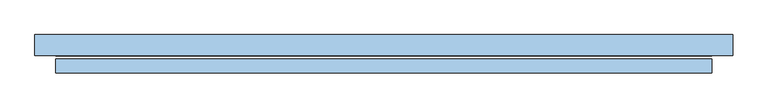
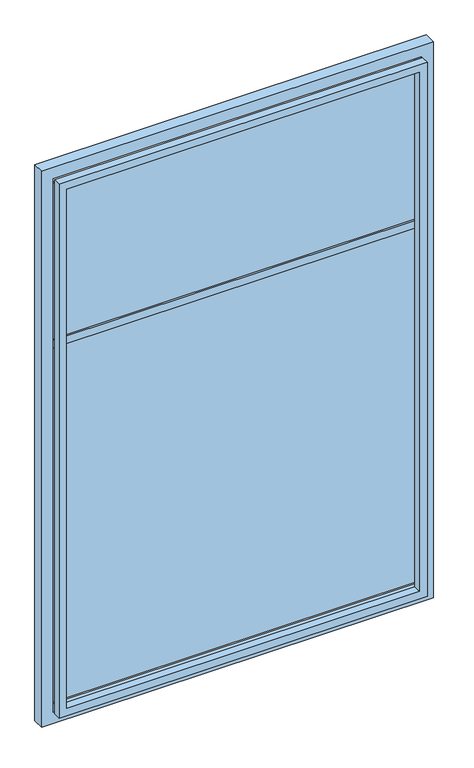
"""IFC4 building model written with IfcOpenShell, lengths in millimetres: window geometry."""

from ifc_helpers import new_model, si_unit, frame, origin, place, context, project, spatial, polyline, outline, extrude, source, transform, mapped, element, save


def window_18a430c1(model_context):
    return source(origin(), model_context, "Body", "SweptSolid", [
        extrude(outline(polyline([(830.0, -470.0), (830.0, 470.0), (2270.0, 470.0), (2270.0, -470.0), (830.0, -470.0)]), holes=[polyline([(2250.0, -450.0), (2250.0, 450.0), (850.0, 450.0), (850.0, -450.0), (2250.0, -450.0)])]), frame((0.0, -25.0, 0.0), z_axis=(0.0, 1.0, 0.0), x_axis=(0.0, 0.0, 1.0)), (0.0, 0.0, 1.0), 20.0),
        extrude(outline(polyline([(-470.0, 10.0), (-470.0, 15.0), (470.0, 15.0), (470.0, 10.0), (-470.0, 10.0)])), frame((0.0, 0.0, 850.0), z_axis=(0.0, 0.0, 1.0), x_axis=(1.0, 0.0, 0.0)), (0.0, 0.0, 1.0), 960.0),
        extrude(outline(polyline([(800.0, -500.0), (800.0, 500.0), (2300.0, 500.0), (2300.0, -500.0), (800.0, -500.0)]), holes=[polyline([(2270.0, -470.0), (2270.0, 470.0), (830.0, 470.0), (830.0, -470.0), (2270.0, -470.0)])]), frame((0.0, 0.0, 0.0), z_axis=(0.0, 1.0, 0.0), x_axis=(0.0, 0.0, 1.0)), (0.0, 0.0, 1.0), 30.0),
        extrude(outline(polyline([(-470.0, 10.0), (-470.0, 15.0), (470.0, 15.0), (470.0, 10.0), (-470.0, 10.0)])), frame((0.0, 0.0, 1820.0), z_axis=(0.0, 0.0, 1.0), x_axis=(1.0, 0.0, 0.0)), (0.0, 0.0, 1.0), 430.0),
        extrude(outline(polyline([(-470.0, 5.0), (-470.0, 25.0), (470.0, 25.0), (470.0, 5.0), (-470.0, 5.0)])), frame((0.0, 0.0, 1810.0), z_axis=(0.0, 0.0, 1.0), x_axis=(1.0, 0.0, 0.0)), (0.0, 0.0, 1.0), 20.0),
    ])


if __name__ == "__main__":
    model = new_model("IFC4")
    model_context = context("Model", 3, world=origin())
    ifc_project = project(units=[si_unit("LENGTHUNIT", "METRE", prefix="MILLI")], contexts=[model_context])
    site = spatial("IfcSite", under=ifc_project)
    building = spatial("IfcBuilding", under=site)
    placement = place(None, origin())
    window_shape = window_18a430c1(model_context)
    element("IfcWindow", 1, at=placement, inside=building, context=model_context, shape_type="MappedRepresentation", body=[
        mapped(window_shape, transform((0.0, 0.0, 0.0), x_axis=(1.0, 0.0, 0.0), y_axis=(0.0, 1.0, 0.0), z_axis=(0.0, 0.0, 1.0))),
    ])
    save(model, "model.ifc")
